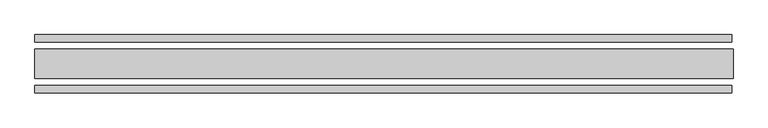
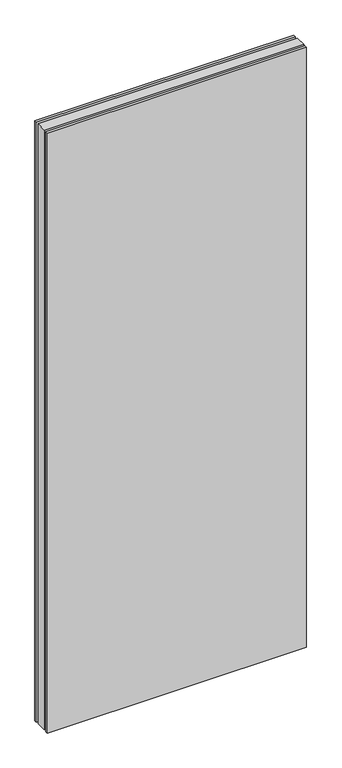
"""IFC4 building model written with IfcOpenShell, lengths in millimetres: plate geometry."""

from ifc_helpers import new_model, si_unit, origin, origin_with_axes, place, context, project, spatial, polyline, outline, extrude, source, transform, mapped, element, save


def plate_52a34c82(model_context):
    return source(origin(), model_context, "Body", "SweptSolid", [
        extrude(outline(polyline([(600.0, 25.0), (600.0, -25.0), (-598.0, -25.0), (-598.0, 25.0), (600.0, 25.0)])), origin_with_axes(), (0.0, 0.0, 1.0), 2930.0),
        extrude(outline(polyline([(598.0, 50.0), (598.0, 37.5), (-598.0, 37.5), (-598.0, 50.0), (598.0, 50.0)])), origin_with_axes(), (0.0, 0.0, 1.0), 2930.0),
        extrude(outline(polyline([(-598.0, -37.5), (598.0, -37.5), (598.0, -50.0), (-598.0, -50.0), (-598.0, -37.5)])), origin_with_axes(), (0.0, 0.0, 1.0), 2930.0),
    ])


if __name__ == "__main__":
    model = new_model("IFC4")
    model_context = context("Model", 3, world=origin())
    ifc_project = project(units=[si_unit("LENGTHUNIT", "METRE", prefix="MILLI")], contexts=[model_context])
    site = spatial("IfcSite", under=ifc_project)
    building = spatial("IfcBuilding", under=site)
    placement = place(None, origin())
    plate_shape = plate_52a34c82(model_context)
    element("IfcPlate", 1, at=placement, inside=building, context=model_context, shape_type="MappedRepresentation", body=[
        mapped(plate_shape, transform((0.0, 0.0, 0.0), x_axis=(1.0, 0.0, 0.0), y_axis=(0.0, 1.0, 0.0), z_axis=(0.0, 0.0, 1.0))),
    ])
    save(model, "model.ifc")
